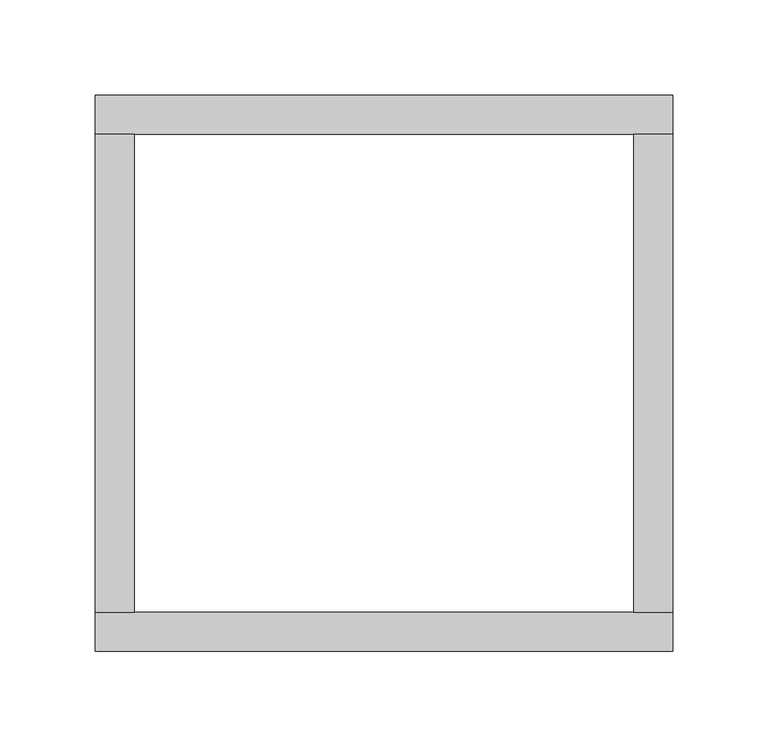
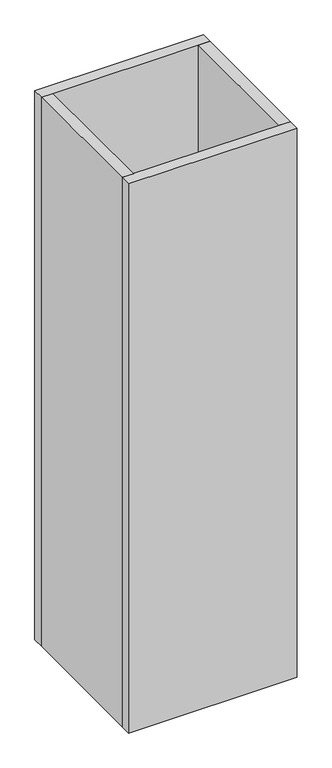
"""IFC4 building model written with IfcOpenShell, lengths in millimetres: furniture geometry."""

from ifc_helpers import new_model, si_unit, origin, origin_with_axes, place, context, project, spatial, polyline, outline, extrude, source, transform, mapped, element, save


def furniture_8f2b98c4(model_context):
    return source(origin(), model_context, "Body", "SweptSolid", [
        extrude(outline(polyline([(304.1994371, -227.1700001), (283.6254385, -227.1700001), (283.6254385, 23.9688336), (304.1994371, 23.9688336), (304.1994371, -227.1700001)])), origin_with_axes(), (0.0, 0.0, 1.0), 1044.3972),
        extrude(outline(polyline([(21.1734396, 23.9700054), (21.1734396, -227.1700001), (0.59944, -227.1700001), (0.59944, 23.9700054), (21.1734396, 23.9700054)])), origin_with_axes(), (0.0, 0.0, 1.0), 1044.3972),
        extrude(outline(polyline([(0.59944, 44.5440062), (304.1994371, 44.5440062), (304.1994371, 23.9700054), (0.59944, 23.9700054), (0.59944, 44.5440062)])), origin_with_axes(), (0.0, 0.0, 1.0), 1044.3972),
        extrude(outline(polyline([(0.59944, -227.1700001), (304.1994371, -227.1700001), (304.1994371, -247.7439986), (0.59944, -247.7439986), (0.59944, -227.1700001)])), origin_with_axes(), (0.0, 0.0, 1.0), 1044.3972),
    ])


if __name__ == "__main__":
    model = new_model("IFC4")
    model_context = context("Model", 3, world=origin())
    ifc_project = project(units=[si_unit("LENGTHUNIT", "METRE", prefix="MILLI")], contexts=[model_context])
    site = spatial("IfcSite", under=ifc_project)
    building = spatial("IfcBuilding", under=site)
    placement = place(None, origin())
    furniture_shape = furniture_8f2b98c4(model_context)
    element("IfcFurniture", 1, at=placement, inside=building, context=model_context, shape_type="MappedRepresentation", body=[
        mapped(furniture_shape, transform((0.0, 0.0, 0.0), x_axis=(1.0, 0.0, 0.0), y_axis=(0.0, 1.0, 0.0), z_axis=(0.0, 0.0, 1.0))),
    ])
    save(model, "model.ifc")
